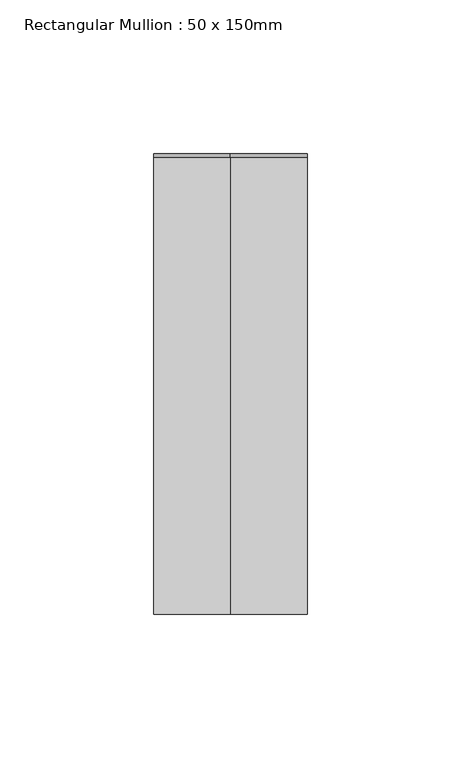
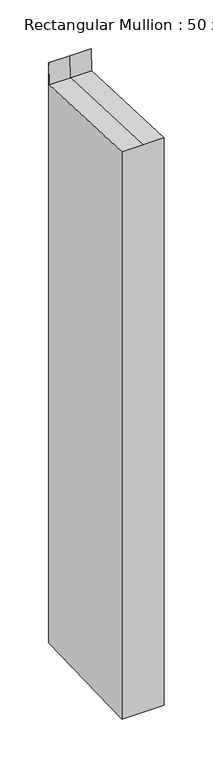
"""IFC4 building model written with IfcOpenShell, lengths in millimetres: member geometry, Rectangular Mullion : 50 x 150mm."""

import ifcopenshell
import ifcopenshell.guid

model = None  # the IFC model being written
_history = None  # IfcOwnerHistory: only IFC2X3 demands one
_inside = {}  # id of a spatial element -> (the spatial element, [elements in it])
_under = {}  # id of a project, library or spatial element -> (it, [spatial elements below it])
_declared = {}  # id of a project -> (the project, [libraries it declares])
_typed = {}  # id of a type object -> (the type object, [elements of that type])
_made_of = {}  # id of a material, layer set ... -> (it, [elements and type objects made of it])


def new_model(schema):
    """Start an empty IFC model of exactly this schema.

    Asked for "IFC4X3", IfcOpenShell would pick the latest addendum, in which some entities
    have other attributes; the version numbers below select the first issue.
    IFC2X3 requires an IfcOwnerHistory on every rooted entity: one is made here for all.
    """
    global model, _history
    if schema == "IFC4X3":
        model = ifcopenshell.file(schema_version=(4, 3, 0, 0))
    else:
        model = ifcopenshell.file(schema=schema)
    _inside.clear()
    _under.clear()
    _declared.clear()
    _typed.clear()
    _made_of.clear()
    _history = None
    if model.schema == "IFC2X3":
        org = make("IfcOrganization", Name="unknown")
        user = make(
            "IfcPersonAndOrganization",
            ThePerson=make("IfcPerson", FamilyName="unknown"),
            TheOrganization=org,
        )
        app = make(
            "IfcApplication",
            ApplicationDeveloper=org,
            Version="unknown",
            ApplicationFullName="unknown",
            ApplicationIdentifier="unknown",
        )
        _history = make(
            "IfcOwnerHistory",
            OwningUser=user,
            OwningApplication=app,
            ChangeAction="ADDED",
            CreationDate=0,
        )
    return model


def make(cls, **values):
    """One entity of the class cls with the attributes given. An attribute that is None is left unset."""
    return model.create_entity(
        cls, **{name: value for name, value in values.items() if value is not None}
    )


def rooted(cls, **values):
    """An entity with a GlobalId (a new one), such as an element, a storey or a relation."""
    return make(cls, GlobalId=ifcopenshell.guid.new(), OwnerHistory=_history, **values)


def si_unit(unit_type, name, prefix=None):
    """IfcSIUnit, for example si_unit("LENGTHUNIT", "METRE", prefix="MILLI")."""
    return make("IfcSIUnit", UnitType=unit_type, Prefix=prefix, Name=name)


def assignment(units):
    """IfcUnitAssignment: the units of a project."""
    return None if units is None else make("IfcUnitAssignment", Units=units)


def point(xyz):
    """IfcCartesianPoint."""
    return None if xyz is None else make("IfcCartesianPoint", Coordinates=xyz)


def direction(xyz):
    """IfcDirection."""
    return None if xyz is None else make("IfcDirection", DirectionRatios=xyz)


def frame(location, z_axis=None, x_axis=None):
    """IfcAxis2Placement3D, a coordinate frame: its origin and axes. An axis left out is left unset."""
    return make(
        "IfcAxis2Placement3D",
        Location=point(location),
        Axis=direction(z_axis),
        RefDirection=direction(x_axis),
    )


def origin():
    """The frame at (0, 0, 0) with its axes left unset."""
    return frame((0.0, 0.0, 0.0))


def place(relative_to, where):
    """IfcLocalPlacement: puts the frame where relative to a parent placement (None: the world)."""
    return make(
        "IfcLocalPlacement", PlacementRelTo=relative_to, RelativePlacement=where
    )


def context(
    kind, dimensions, precision=None, world=None, true_north=None, identifier=None
):
    """IfcGeometricRepresentationContext, for example the 3D "Model" context."""
    return make(
        "IfcGeometricRepresentationContext",
        ContextIdentifier=identifier,
        ContextType=kind,
        CoordinateSpaceDimension=dimensions,
        Precision=precision,
        WorldCoordinateSystem=world,
        TrueNorth=true_north,
    )


def project(units=None, contexts=None):
    """IfcProject with its units and contexts."""
    return rooted(
        "IfcProject",
        Name="project",
        RepresentationContexts=contexts,
        UnitsInContext=assignment(units),
    )


def spatial(cls, under=None, at=None, **own):
    """A site, building, storey or space (cls), placed at a placement, below another one or the project."""
    s = rooted(cls, ObjectPlacement=at, **own)
    if under is not None:
        _under.setdefault(under.id(), (under, []))[1].append(s)
    return s


def faces_of(points, faces, orient=None, outer=None):
    """IfcFace entities. A face is a list of loops; a loop is a list of indices into points, from 0.

    orient and outer hold one flag for each loop. By default every Orientation is true, the
    first loop of a face is its IfcFaceOuterBound and the others are IfcFaceBound.
    """
    made = []
    for i, loops in enumerate(faces):
        bounds = []
        for j, loop in enumerate(loops):
            is_outer = j == 0 if outer is None else outer[i][j]
            bounds.append(
                make(
                    "IfcFaceOuterBound" if is_outer else "IfcFaceBound",
                    Bound=make("IfcPolyLoop", Polygon=[points[k] for k in loop]),
                    Orientation=True if orient is None else orient[i][j],
                )
            )
        made.append(make("IfcFace", Bounds=bounds))
    return made


def faceted_brep(points, faces, orient=None, outer=None, voids=None):
    """IfcFacetedBrep: a solid bounded by flat faces; with voids (closed shells), ...WithVoids."""
    shared = [point(p) for p in points]
    hull = make("IfcClosedShell", CfsFaces=faces_of(shared, faces, orient, outer))
    if voids is None:
        return make("IfcFacetedBrep", Outer=hull)
    return make(
        "IfcFacetedBrepWithVoids",
        Outer=hull,
        Voids=[
            make(cls, CfsFaces=faces_of(shared, fs, o, b)) for cls, fs, o, b in voids
        ],
    )


def shape(context_of_items, identifier, shape_type, items):
    """IfcShapeRepresentation: the items that make up one representation, for example the "Body"."""
    return make(
        "IfcShapeRepresentation",
        ContextOfItems=context_of_items,
        RepresentationIdentifier=identifier,
        RepresentationType=shape_type,
        Items=items,
    )


def source(mapping_origin, context_of_items, identifier, shape_type, items):
    """IfcRepresentationMap: a shape defined once, which mapped items show again and again."""
    return make(
        "IfcRepresentationMap",
        MappingOrigin=mapping_origin,
        MappedRepresentation=shape(context_of_items, identifier, shape_type, items),
    )


def transform(
    local_origin,
    x_axis=None,
    y_axis=None,
    z_axis=None,
    scale=None,
    scale2=None,
    scale3=None,
    uniform=True,
):
    """IfcCartesianTransformationOperator3D, or its non-uniform kind. x_axis, y_axis, z_axis: its Axis1, 2, 3."""
    if uniform:
        return make(
            "IfcCartesianTransformationOperator3D",
            Axis1=direction(x_axis),
            Axis2=direction(y_axis),
            LocalOrigin=point(local_origin),
            Scale=scale,
            Axis3=direction(z_axis),
        )
    return make(
        "IfcCartesianTransformationOperator3DnonUniform",
        Axis1=direction(x_axis),
        Axis2=direction(y_axis),
        LocalOrigin=point(local_origin),
        Scale=scale,
        Axis3=direction(z_axis),
        Scale2=scale2,
        Scale3=scale3,
    )


def mapped(mapping_source, mapping_target):
    """IfcMappedItem: shows the shape of a source again, moved by a transform."""
    return make(
        "IfcMappedItem", MappingSource=mapping_source, MappingTarget=mapping_target
    )


def made_of(thing, what):
    """Note that an element or type object is made of a material, layer set ...; save() writes the relation."""
    if what is not None:
        _made_of.setdefault(what.id(), (what, []))[1].append(thing)
    return thing


def element(
    cls,
    number,
    at=None,
    inside=None,
    cuts=None,
    type_object=None,
    material=None,
    context=None,
    identifier="Body",
    shape_type=None,
    held_by="IfcProductDefinitionShape",
    body=None,
    shapes=None,
    **own,
):
    """One element of the class cls, such as IfcWall. Its Tag is "e" and its number.

    at: its placement. inside: the storey or other place that contains it. cuts: it is an
    opening in that element (IfcRelVoidsElement). A single representation is given by context,
    identifier, shape_type and body (its items); several are given by shapes. held_by: the class
    of the entity that holds the representations. save() writes the other relations.
    """
    e = rooted(cls, Tag="e%d" % number, ObjectPlacement=at, **own)
    if body is not None:
        shapes = [shape(context, identifier, shape_type, body)]
    if shapes is not None:
        e.Representation = make(held_by, Representations=shapes)
    if inside is not None:
        _inside.setdefault(inside.id(), (inside, []))[1].append(e)
    if cuts is not None:
        rooted(
            "IfcRelVoidsElement", RelatingBuildingElement=cuts, RelatedOpeningElement=e
        )
    if type_object is not None:
        _typed.setdefault(type_object.id(), (type_object, []))[1].append(e)
    return made_of(e, material)


def aggregate(whole, parts):
    """IfcRelAggregates: a whole, such as a stair, and the parts it consists of."""
    return rooted("IfcRelAggregates", RelatingObject=whole, RelatedObjects=parts)


def save(model, path):
    """Write the relations noted so far, then the file.

    IfcRelAggregates (storeys below a building ...), IfcRelContainedInSpatialStructure (elements
    in a storey), IfcRelDefinesByType, IfcRelAssociatesMaterial and IfcRelDeclares: one each for
    every whole, place, type object, material and project.
    """
    for whole, parts in _under.values():
        aggregate(whole, parts)
    for where, things in _inside.values():
        rooted(
            "IfcRelContainedInSpatialStructure",
            RelatedElements=things,
            RelatingStructure=where,
        )
    for kind, things in _typed.values():
        rooted("IfcRelDefinesByType", RelatedObjects=things, RelatingType=kind)
    for what, things in _made_of.values():
        rooted("IfcRelAssociatesMaterial", RelatedObjects=things, RelatingMaterial=what)
    for by, libraries in _declared.values():
        rooted("IfcRelDeclares", RelatingContext=by, RelatedDefinitions=libraries)
    model.write(path)


def rectangular_mullion_50_x_150mm_3869605d(model_context):
    return source(origin(), model_context, "Body", "Brep", [
        faceted_brep([(-25.0, 75.0, 23.2577704), (0.0, 75.0, 23.2577704), (25.0, 75.0, 23.2577704), (25.0, 75.0, -701.3868023), (-25.0, 75.0, -701.3868023), (-25.0, -75.0, 3.4593449), (-25.0, 73.7582407, -3.4556134), (-25.0, -75.0, -705.7428169), (25.0, -75.0, 3.4593449), (0.0, -75.0, 3.4593449), (25.0, -75.0, -705.7428169), (25.0, 73.7582407, -3.4556134), (0.0, 73.7582407, -3.4556134)], [[[0, 1, 2, 3, 4]], [[5, 6, 0, 4, 7]], [[8, 9, 5, 7, 10]], [[2, 11, 8, 10, 3]], [[2, 1, 12, 11]], [[1, 0, 6, 12]], [[6, 5, 9, 12]], [[9, 8, 11, 12]], [[3, 10, 7, 4]]]),
    ])


if __name__ == "__main__":
    model = new_model("IFC4")
    model_context = context("Model", 3, world=origin())
    ifc_project = project(units=[si_unit("LENGTHUNIT", "METRE", prefix="MILLI")], contexts=[model_context])
    site = spatial("IfcSite", under=ifc_project)
    building = spatial("IfcBuilding", under=site)
    placement = place(None, origin())
    rectangular_mullion_50_x_150mm_shape = rectangular_mullion_50_x_150mm_3869605d(model_context)
    element("IfcMember", 1, ObjectType="Rectangular Mullion : 50 x 150mm", at=placement, inside=building, context=model_context, shape_type="MappedRepresentation", body=[
        mapped(rectangular_mullion_50_x_150mm_shape, transform((0.0, 0.0, 0.0), x_axis=(1.0, 0.0, 0.0), y_axis=(0.0, 1.0, 0.0), z_axis=(0.0, 0.0, 1.0))),
    ])
    save(model, "model.ifc")
